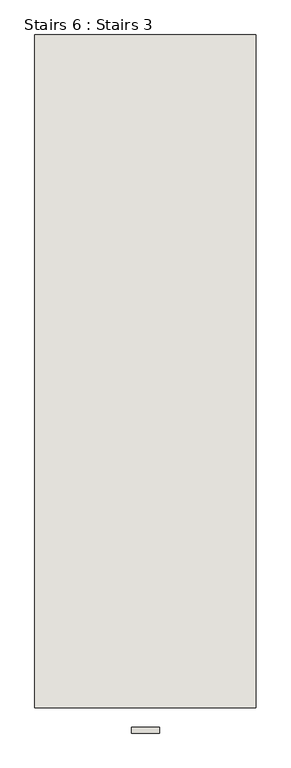
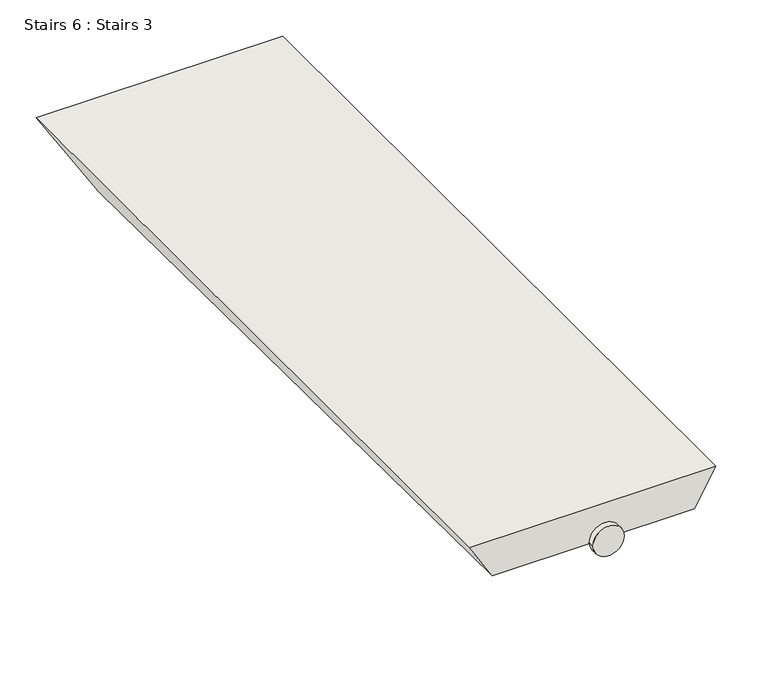
"""IFC4 building model written with IfcOpenShell, lengths in millimetres: wall geometry, Stairs 6 : Stairs 3."""

from ifc_helpers import new_model, si_unit, point, frame, frame_2d, origin, place, context, project, spatial, circle_curve, trimmed, segment, composite_curve, outline, extrude, faceted_brep, source, transform, mapped, element, save


def stairs_6_stairs_3_3cccf0a4(model_context):
    return source(origin(), model_context, "Body", "SolidModel", [
        extrude(outline(composite_curve([segment(trimmed(circle_curve(frame_2d((70293.1566091, 99923.9494131)), 25.0), [point((70293.1566091, 99948.9494131))], [point((70293.1566091, 99898.9494131))], False, "CARTESIAN"), True, "CONTINUOUS"), segment(trimmed(circle_curve(frame_2d((70293.1566091, 99923.9494131)), 25.0), [point((70293.1566091, 99898.9494131))], [point((70293.1566091, 99948.9494131))], False, "CARTESIAN"), True, "CONTINUOUS")], self_intersect=False)), frame((0.0, -36520.9230841, 0.0), z_axis=(0.0, 1.0, 0.0), x_axis=(0.0, 0.0, 1.0)), (0.0, 0.0, 1.0), 10.0),
        faceted_brep([(100121.2963928, -36475.9230841, 70323.1566091), (99726.6024333, -36475.9230841, 70323.1566091), (99764.0945945, -36475.9230841, 70263.1566091), (100086.6553766, -36475.9230841, 70263.1566091), (99726.6024333, -35275.9230841, 70323.1566091), (100121.2963928, -35275.9230841, 70323.1566091), (100028.9203497, -35275.9230841, 70163.1566091), (99826.5815296, -35275.9230841, 70163.1566091)], [[[0, 1, 2, 3]], [[4, 5, 6, 7]], [[5, 4, 1, 0]], [[7, 6, 3, 2]], [[2, 1, 4, 7]], [[0, 3, 6, 5]]]),
    ])


if __name__ == "__main__":
    model = new_model("IFC4")
    model_context = context("Model", 3, world=origin())
    ifc_project = project(units=[si_unit("LENGTHUNIT", "METRE", prefix="MILLI")], contexts=[model_context])
    site = spatial("IfcSite", under=ifc_project)
    building = spatial("IfcBuilding", under=site)
    placement = place(None, origin())
    stairs_6_stairs_3_shape = stairs_6_stairs_3_3cccf0a4(model_context)
    element("IfcWall", 1, ObjectType="Stairs 6 : Stairs 3", at=placement, inside=building, context=model_context, shape_type="MappedRepresentation", body=[
        mapped(stairs_6_stairs_3_shape, transform((0.0, 0.0, 0.0), x_axis=(1.0, 0.0, 0.0), y_axis=(0.0, 1.0, 0.0), z_axis=(0.0, 0.0, 1.0))),
    ])
    save(model, "model.ifc")
